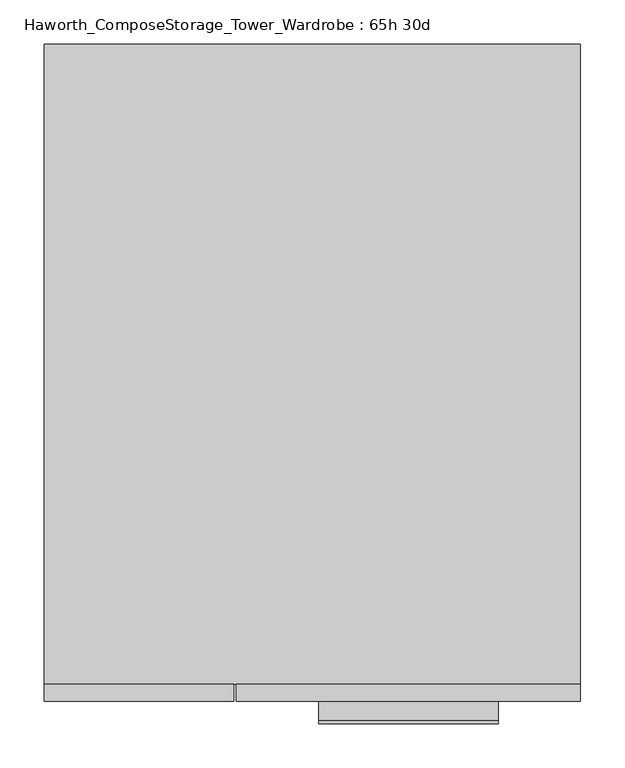
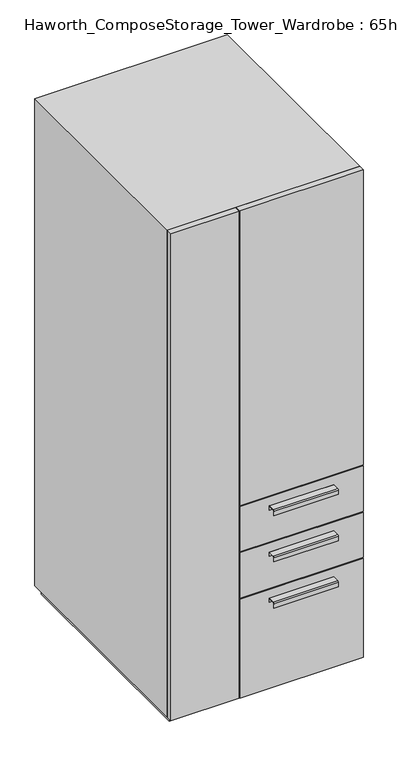
"""IFC4 building model written with IfcOpenShell, lengths in millimetres: furniture geometry, Haworth_ComposeStorage_Tower_Wardrobe : 65h 30d."""

from ifc_helpers import new_model, si_unit, point, frame, frame_2d, origin, origin_with_axes, place, context, project, spatial, polyline, circle_curve, trimmed, segment, composite_curve, outline, extrude, faceted_brep, source, transform, mapped, element, save


def haworth_composestorage_tower_wardrobe_65h_30d_4d04132f(model_context):
    return source(origin(), model_context, "Body", "SolidModel", [
        extrude(outline(composite_curve([segment(polyline([(-403.2250242, 633.9919215), (-381.0, 633.9919215), (-381.0, 620.5299525), (-381.7937742, 620.5299525), (-381.7937742, 633.1982199), (-403.2250242, 633.1982199)]), True, "CONTINUOUS"), segment(trimmed(circle_curve(frame_2d((-403.2250242, 630.8142808)), 2.3839392), [point((-403.2250242, 633.1982199))], [point((-405.6089634, 630.8142808))], True, "CARTESIAN"), True, "CONTINUOUS"), segment(polyline([(-405.6089634, 630.8142808), (-405.6089634, 616.2119021), (-406.3999758, 616.2119021), (-406.3999758, 630.8169699)]), True, "CONTINUOUS"), segment(trimmed(circle_curve(frame_2d((-403.2250242, 630.8169699)), 3.1749516), [point((-406.3999758, 630.8169699))], [point((-403.2250242, 633.9919215))], False, "CARTESIAN"), True, "CONTINUOUS")], self_intersect=False)), frame((7.1576406, 0.0, 0.0), z_axis=(1.0, 0.0, 0.0), x_axis=(0.0, 1.0, 0.0)), (0.0, 0.0, 1.0), 203.2),
        extrude(outline(polyline([(303.2263906, -361.95), (303.2263906, -381.0), (-85.7111094, -381.0), (-85.7111094, -361.95), (303.2263906, -361.95)])), frame((0.0, 0.0, 512.7625), z_axis=(0.0, 0.0, 1.0), x_axis=(1.0, 0.0, 0.0)), (0.0, 0.0, 1.0), 150.8125),
        extrude(outline(composite_curve([segment(polyline([(-403.2250242, 480.0044215), (-381.0, 480.0044215), (-381.0, 466.5424525), (-381.7937742, 466.5424525), (-381.7937742, 479.2107199), (-403.2250242, 479.2107199)]), True, "CONTINUOUS"), segment(trimmed(circle_curve(frame_2d((-403.2250242, 476.8267808)), 2.3839392), [point((-403.2250242, 479.2107199))], [point((-405.6089634, 476.8267808))], True, "CARTESIAN"), True, "CONTINUOUS"), segment(polyline([(-405.6089634, 476.8267808), (-405.6089634, 462.2244021), (-406.3999758, 462.2244021), (-406.3999758, 476.8294699)]), True, "CONTINUOUS"), segment(trimmed(circle_curve(frame_2d((-403.2250242, 476.8294699)), 3.1749516), [point((-406.3999758, 476.8294699))], [point((-403.2250242, 480.0044215))], False, "CARTESIAN"), True, "CONTINUOUS")], self_intersect=False)), frame((7.1576406, 0.0, 0.0), z_axis=(1.0, 0.0, 0.0), x_axis=(0.0, 1.0, 0.0)), (0.0, 0.0, 1.0), 203.2),
        extrude(outline(polyline([(303.2263906, -361.95), (303.2263906, -381.0), (-85.7111094, -381.0), (-85.7111094, -361.95), (303.2263906, -361.95)])), frame((0.0, 0.0, 358.775), z_axis=(0.0, 0.0, 1.0), x_axis=(1.0, 0.0, 0.0)), (0.0, 0.0, 1.0), 150.8125),
        extrude(outline(composite_curve([segment(polyline([(-403.2250242, 326.0169215), (-381.0, 326.0169215), (-381.0, 312.5549525), (-381.7937742, 312.5549525), (-381.7937742, 325.2232199), (-403.2250242, 325.2232199)]), True, "CONTINUOUS"), segment(trimmed(circle_curve(frame_2d((-403.2250242, 322.8392808)), 2.3839392), [point((-403.2250242, 325.2232199))], [point((-405.6089634, 322.8392808))], True, "CARTESIAN"), True, "CONTINUOUS"), segment(polyline([(-405.6089634, 322.8392808), (-405.6089634, 308.2369021), (-406.3999758, 308.2369021), (-406.3999758, 322.8419699)]), True, "CONTINUOUS"), segment(trimmed(circle_curve(frame_2d((-403.2250242, 322.8419699)), 3.1749516), [point((-406.3999758, 322.8419699))], [point((-403.2250242, 326.0169215))], False, "CARTESIAN"), True, "CONTINUOUS")], self_intersect=False)), frame((7.1576406, 0.0, 0.0), z_axis=(1.0, 0.0, 0.0), x_axis=(0.0, 1.0, 0.0)), (0.0, 0.0, 1.0), 203.2),
        extrude(outline(polyline([(303.2263906, -361.95), (303.2263906, -381.0), (-85.7111094, -381.0), (-85.7111094, -361.95), (303.2263906, -361.95)])), frame((0.0, 0.0, 25.4), z_axis=(0.0, 0.0, 1.0), x_axis=(1.0, 0.0, 0.0)), (0.0, 0.0, 1.0), 330.2),
        extrude(outline(polyline([(303.2263906, -361.95), (303.2263906, -381.0), (-85.7111094, -381.0), (-85.7111094, -361.95), (303.2263906, -361.95)])), frame((0.0, 0.0, 666.75), z_axis=(0.0, 0.0, 1.0), x_axis=(1.0, 0.0, 0.0)), (0.0, 0.0, 1.0), 984.25),
        extrude(outline(polyline([(-303.1986094, -381.0), (-303.1986094, -361.95), (-88.8861094, -361.95), (-88.8861094, -381.0), (-303.1986094, -381.0)])), frame((0.0, 0.0, 25.4), z_axis=(0.0, 0.0, 1.0), x_axis=(1.0, 0.0, 0.0)), (0.0, 0.0, 1.0), 1625.6),
        faceted_brep([(-303.1986094, -361.95, 25.4), (303.2263906, -361.95, 25.4), (303.2263906, -361.95, 1651.0), (-303.1986094, -361.95, 1651.0), (-284.1486094, -361.95, 44.45), (-284.1486094, -361.95, 1631.95), (284.1694453, -361.95, 1631.95), (284.1694453, -361.95, 44.45), (-303.1986094, 361.95, 25.4), (-303.1986094, 361.95, 1651.0), (303.2263906, 361.95, 1651.0), (303.2263906, 361.95, 25.4), (-284.1486094, 342.9, 44.45), (-284.1486094, 342.9, 1631.95), (284.1694453, 342.9, 1631.95), (284.1694453, 342.9, 44.45)], [[[0, 1, 2, 3], [4, 5, 6, 7]], [[8, 9, 10, 11]], [[1, 0, 8, 11]], [[2, 1, 11, 10]], [[3, 2, 10, 9]], [[0, 3, 9, 8]], [[5, 4, 12, 13]], [[6, 5, 13, 14]], [[7, 6, 14, 15]], [[4, 7, 15, 12]], [[13, 12, 15, 14]]]),
        extrude(outline(polyline([(290.5263906, -349.25), (-290.4986094, -349.25), (-290.4986094, 349.25), (290.5263906, 349.25), (290.5263906, -349.25)])), origin_with_axes(), (0.0, 0.0, 1.0), 25.4),
    ])


if __name__ == "__main__":
    model = new_model("IFC4")
    model_context = context("Model", 3, world=origin())
    ifc_project = project(units=[si_unit("LENGTHUNIT", "METRE", prefix="MILLI")], contexts=[model_context])
    site = spatial("IfcSite", under=ifc_project)
    building = spatial("IfcBuilding", under=site)
    placement = place(None, origin())
    haworth_composestorage_tower_wardrobe_65h_30d_shape = haworth_composestorage_tower_wardrobe_65h_30d_4d04132f(model_context)
    element("IfcFurniture", 1, ObjectType="Haworth_ComposeStorage_Tower_Wardrobe : 65h 30d", at=placement, inside=building, context=model_context, shape_type="MappedRepresentation", body=[
        mapped(haworth_composestorage_tower_wardrobe_65h_30d_shape, transform((0.0, 0.0, 0.0), x_axis=(1.0, 0.0, 0.0), y_axis=(0.0, 1.0, 0.0), z_axis=(0.0, 0.0, 1.0))),
    ])
    save(model, "model.ifc")
